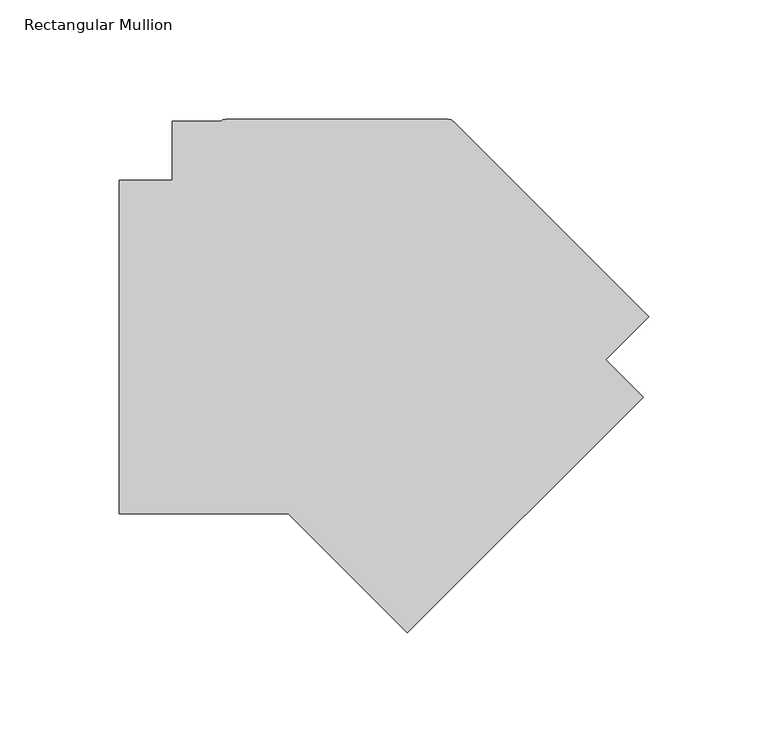
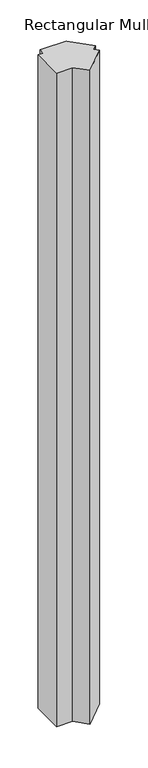
"""IFC4 building model written with IfcOpenShell, lengths in millimetres: member geometry, Rectangular Mullion."""

from ifc_helpers import new_model, si_unit, point, frame, frame_2d, origin, place, context, project, spatial, polyline, circle_curve, trimmed, segment, composite_curve, outline, extrude, source, transform, mapped, element, save


def rectangular_mullion_1671423f(model_context):
    return source(origin(), model_context, "Body", "SweptSolid", [
        extrude(outline(composite_curve([segment(polyline([(-101.027954, -129.8991246), (-150.9806286, -79.9464499), (-221.6243786, -79.9464499), (-221.6243786, 59.7535451), (-199.3994918, 59.7535451), (-199.3994918, 84.4035584), (-179.3277755, 84.3115674)]), True, "CONTINUOUS"), segment(trimmed(circle_curve(frame_2d((-177.1742654, 81.9785395)), 3.175), [point((-179.3277755, 84.3115674))], [point((-177.1742654, 85.1535395))], False, "CARTESIAN"), True, "CONTINUOUS"), segment(polyline([(-177.1742654, 85.1535395), (-83.9091019, 85.1535395)]), True, "CONTINUOUS"), segment(trimmed(circle_curve(frame_2d((-83.9091019, 81.9785395)), 3.175), [point((-83.9091019, 85.1535395))], [point((-81.6640378, 84.2236035))], False, "CARTESIAN"), True, "CONTINUOUS"), segment(polyline([(-81.6640378, 84.2236035), (0.0, 2.5595657), (-17.9605083, -15.4009427), (-2.2451402, -31.1163108), (-101.027954, -129.8991246)]), True, "CONTINUOUS")], self_intersect=False)), frame((0.0, 0.0, -3048.0), z_axis=(0.0, 0.0, 1.0), x_axis=(1.0, 0.0, 0.0)), (0.0, 0.0, 1.0), 3048.0),
    ])


if __name__ == "__main__":
    model = new_model("IFC4")
    model_context = context("Model", 3, world=origin())
    ifc_project = project(units=[si_unit("LENGTHUNIT", "METRE", prefix="MILLI")], contexts=[model_context])
    site = spatial("IfcSite", under=ifc_project)
    building = spatial("IfcBuilding", under=site)
    placement = place(None, origin())
    rectangular_mullion_shape = rectangular_mullion_1671423f(model_context)
    element("IfcMember", 1, ObjectType="Rectangular Mullion", at=placement, inside=building, context=model_context, shape_type="MappedRepresentation", body=[
        mapped(rectangular_mullion_shape, transform((0.0, 0.0, 0.0), x_axis=(1.0, 0.0, 0.0), y_axis=(0.0, 1.0, 0.0), z_axis=(0.0, 0.0, 1.0))),
    ])
    save(model, "model.ifc")
